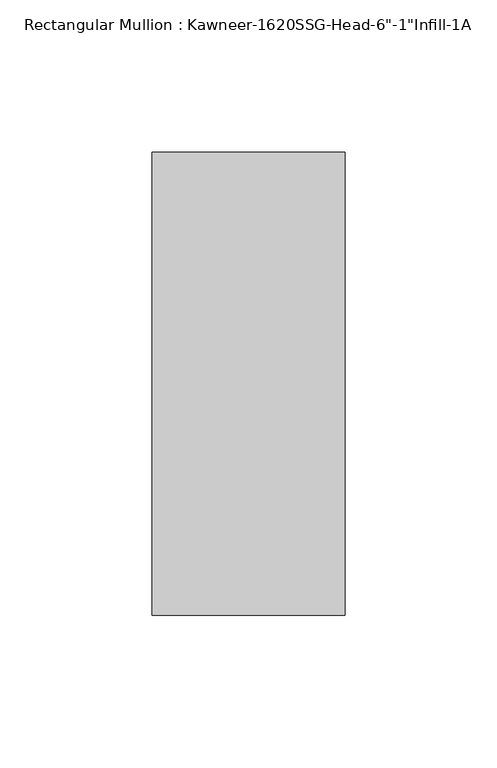
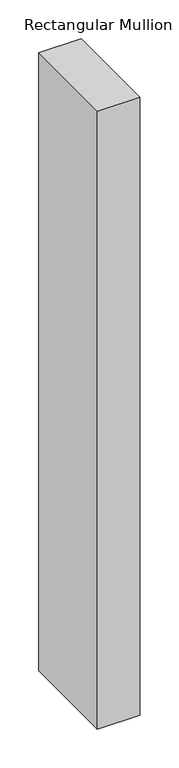
"""IFC4 building model written with IfcOpenShell, lengths in millimetres: member geometry."""

from ifc_helpers import new_model, si_unit, frame, origin, place, context, project, spatial, polyline, outline, extrude, source, transform, mapped, element, save


def member_34bf208b(model_context):
    return source(origin(), model_context, "Body", "SweptSolid", [
        extrude(outline(polyline([(-22.225, 38.1), (41.275, 38.1), (41.275, -114.3), (-22.225, -114.3), (-22.225, 38.1)])), frame((0.0, 0.0, -977.0317631), z_axis=(0.0, 0.0, 1.0), x_axis=(1.0, 0.0, 0.0)), (0.0, 0.0, 1.0), 977.0317631),
    ])


if __name__ == "__main__":
    model = new_model("IFC4")
    model_context = context("Model", 3, world=origin())
    ifc_project = project(units=[si_unit("LENGTHUNIT", "METRE", prefix="MILLI")], contexts=[model_context])
    site = spatial("IfcSite", under=ifc_project)
    building = spatial("IfcBuilding", under=site)
    placement = place(None, origin())
    member_shape = member_34bf208b(model_context)
    element("IfcMember", 1, ObjectType="Rectangular Mullion : Kawneer-1620SSG-Head-6\"-1\"Infill-1A", at=placement, inside=building, context=model_context, shape_type="MappedRepresentation", body=[
        mapped(member_shape, transform((0.0, 0.0, 0.0), x_axis=(1.0, 0.0, 0.0), y_axis=(0.0, 1.0, 0.0), z_axis=(0.0, 0.0, 1.0))),
    ])
    save(model, "model.ifc")
